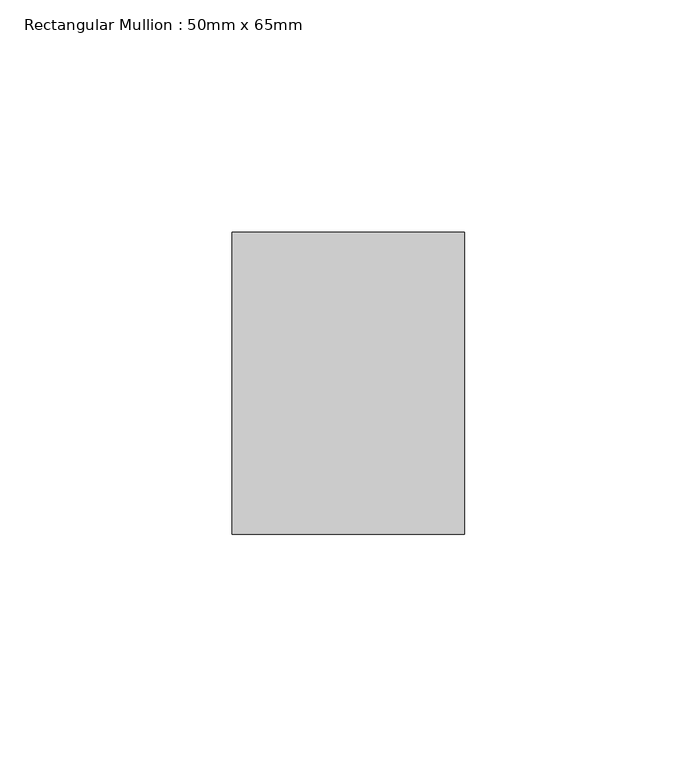
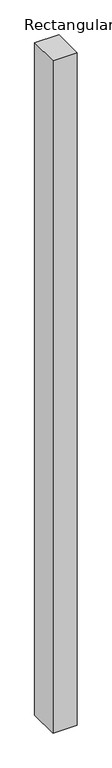
"""IFC4 building model written with IfcOpenShell, lengths in millimetres: member geometry, Rectangular Mullion : 50mm x 65mm."""

from ifc_helpers import new_model, si_unit, frame, origin, place, context, project, spatial, polyline, outline, extrude, source, transform, mapped, element, save


def rectangular_mullion_50mm_x_65mm_bdaefff7(model_context):
    return source(origin(), model_context, "Body", "SweptSolid", [
        extrude(outline(polyline([(25.0, 32.5), (25.0, -32.5), (-25.0, -32.5), (-25.0, 32.5), (25.0, 32.5)])), frame((0.0, 0.0, -1473.7161691), z_axis=(0.0, 0.0, 1.0), x_axis=(1.0, 0.0, 0.0)), (0.0, 0.0, 1.0), 1473.7161691),
    ])


if __name__ == "__main__":
    model = new_model("IFC4")
    model_context = context("Model", 3, world=origin())
    ifc_project = project(units=[si_unit("LENGTHUNIT", "METRE", prefix="MILLI")], contexts=[model_context])
    site = spatial("IfcSite", under=ifc_project)
    building = spatial("IfcBuilding", under=site)
    placement = place(None, origin())
    rectangular_mullion_50mm_x_65mm_shape = rectangular_mullion_50mm_x_65mm_bdaefff7(model_context)
    element("IfcMember", 1, ObjectType="Rectangular Mullion : 50mm x 65mm", at=placement, inside=building, context=model_context, shape_type="MappedRepresentation", body=[
        mapped(rectangular_mullion_50mm_x_65mm_shape, transform((0.0, 0.0, 0.0), x_axis=(1.0, 0.0, 0.0), y_axis=(0.0, 1.0, 0.0), z_axis=(0.0, 0.0, 1.0))),
    ])
    save(model, "model.ifc")
